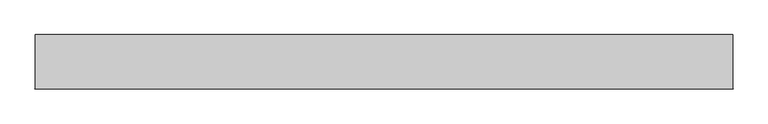
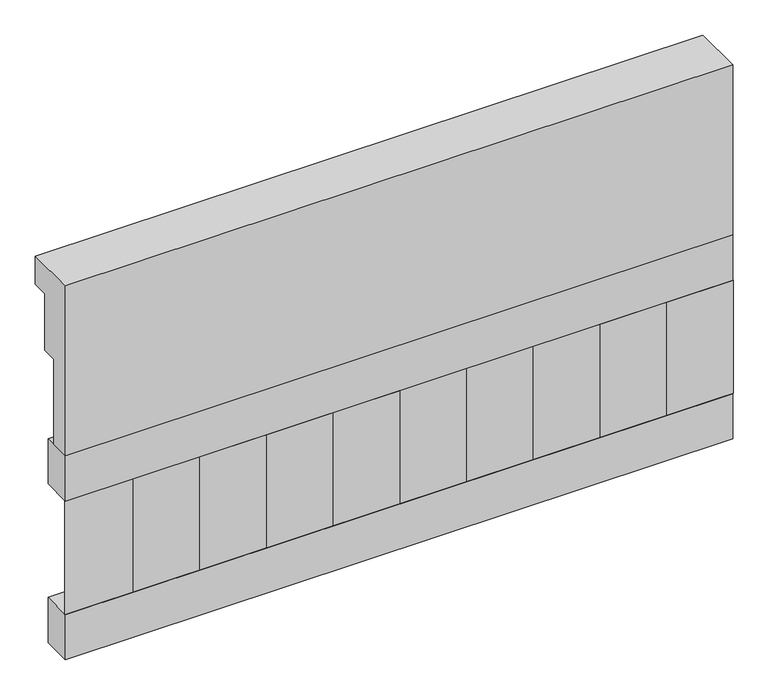
"""IFC4 building model written with IfcOpenShell, lengths in millimetres: railing geometry."""

from ifc_helpers import new_model, si_unit, frame, origin, place, context, project, spatial, polyline, outline, extrude, source, transform, mapped, element, save


def railing_c46c4ea2(model_context):
    return source(origin(), model_context, "Body", "SweptSolid", [
        extrude(outline(polyline([(903.1079487, 28400.0), (1033.1079487, 28400.0), (1033.1079487, 28325.0), (993.1079487, 28325.0), (993.1079487, 28175.0), (953.1079487, 28175.0), (953.1079487, 27950.0), (903.1079487, 27950.0), (903.1079487, 28400.0)])), frame((39990.0112841, 0.0, 0.0), z_axis=(1.0, 0.0, 0.0), x_axis=(0.0, 1.0, 0.0)), (0.0, 0.0, 1.0), 1670.0),
        extrude(outline(polyline([(41660.0112841, 978.1079487), (41660.0112841, 903.1079487), (39990.0112841, 903.1079487), (39990.0112841, 978.1079487), (41660.0112841, 978.1079487)])), frame((0.0, 0.0, 27830.0), z_axis=(0.0, 0.0, 1.0), x_axis=(1.0, 0.0, 0.0)), (0.0, 0.0, 1.0), 120.0),
        extrude(outline(polyline([(41660.0112841, 978.1079487), (41660.0112841, 903.1079487), (39990.0112841, 903.1079487), (39990.0112841, 978.1079487), (41660.0112841, 978.1079487)])), frame((0.0, 0.0, 27410.0), z_axis=(0.0, 0.0, 1.0), x_axis=(1.0, 0.0, 0.0)), (0.0, 0.0, 1.0), 120.0),
        extrude(outline(polyline([(40073.5112841, 987.9607624), (40158.3640978, 903.1079487), (39988.6584704, 903.1079487), (40073.5112841, 987.9607624)])), frame((0.0, 0.0, 27530.0), z_axis=(0.0, 0.0, 1.0), x_axis=(1.0, 0.0, 0.0)), (0.0, 0.0, 1.0), 300.0),
        extrude(outline(polyline([(40240.5112841, 987.9607624), (40325.3640978, 903.1079487), (40155.6584704, 903.1079487), (40240.5112841, 987.9607624)])), frame((0.0, 0.0, 27530.0), z_axis=(0.0, 0.0, 1.0), x_axis=(1.0, 0.0, 0.0)), (0.0, 0.0, 1.0), 300.0),
        extrude(outline(polyline([(40407.5112841, 987.9607624), (40492.3640978, 903.1079487), (40322.6584704, 903.1079487), (40407.5112841, 987.9607624)])), frame((0.0, 0.0, 27530.0), z_axis=(0.0, 0.0, 1.0), x_axis=(1.0, 0.0, 0.0)), (0.0, 0.0, 1.0), 300.0),
        extrude(outline(polyline([(40574.5112841, 987.9607624), (40659.3640978, 903.1079487), (40489.6584704, 903.1079487), (40574.5112841, 987.9607624)])), frame((0.0, 0.0, 27530.0), z_axis=(0.0, 0.0, 1.0), x_axis=(1.0, 0.0, 0.0)), (0.0, 0.0, 1.0), 300.0),
        extrude(outline(polyline([(40741.5112841, 987.9607624), (40826.3640978, 903.1079487), (40656.6584704, 903.1079487), (40741.5112841, 987.9607624)])), frame((0.0, 0.0, 27530.0), z_axis=(0.0, 0.0, 1.0), x_axis=(1.0, 0.0, 0.0)), (0.0, 0.0, 1.0), 300.0),
        extrude(outline(polyline([(40908.5112841, 987.9607624), (40993.3640978, 903.1079487), (40823.6584704, 903.1079487), (40908.5112841, 987.9607624)])), frame((0.0, 0.0, 27530.0), z_axis=(0.0, 0.0, 1.0), x_axis=(1.0, 0.0, 0.0)), (0.0, 0.0, 1.0), 300.0),
        extrude(outline(polyline([(41075.5112841, 987.9607624), (41160.3640978, 903.1079487), (40990.6584704, 903.1079487), (41075.5112841, 987.9607624)])), frame((0.0, 0.0, 27530.0), z_axis=(0.0, 0.0, 1.0), x_axis=(1.0, 0.0, 0.0)), (0.0, 0.0, 1.0), 300.0),
        extrude(outline(polyline([(41242.5112841, 987.9607624), (41327.3640978, 903.1079487), (41157.6584704, 903.1079487), (41242.5112841, 987.9607624)])), frame((0.0, 0.0, 27530.0), z_axis=(0.0, 0.0, 1.0), x_axis=(1.0, 0.0, 0.0)), (0.0, 0.0, 1.0), 300.0),
        extrude(outline(polyline([(41409.5112841, 987.9607624), (41494.3640978, 903.1079487), (41324.6584704, 903.1079487), (41409.5112841, 987.9607624)])), frame((0.0, 0.0, 27530.0), z_axis=(0.0, 0.0, 1.0), x_axis=(1.0, 0.0, 0.0)), (0.0, 0.0, 1.0), 300.0),
        extrude(outline(polyline([(41576.5112841, 987.9607624), (41661.3640978, 903.1079487), (41491.6584704, 903.1079487), (41576.5112841, 987.9607624)])), frame((0.0, 0.0, 27530.0), z_axis=(0.0, 0.0, 1.0), x_axis=(1.0, 0.0, 0.0)), (0.0, 0.0, 1.0), 300.0),
    ])


if __name__ == "__main__":
    model = new_model("IFC4")
    model_context = context("Model", 3, world=origin())
    ifc_project = project(units=[si_unit("LENGTHUNIT", "METRE", prefix="MILLI")], contexts=[model_context])
    site = spatial("IfcSite", under=ifc_project)
    building = spatial("IfcBuilding", under=site)
    placement = place(None, origin())
    railing_shape = railing_c46c4ea2(model_context)
    element("IfcRailing", 1, at=placement, inside=building, context=model_context, shape_type="MappedRepresentation", body=[
        mapped(railing_shape, transform((0.0, 0.0, 0.0), x_axis=(1.0, 0.0, 0.0), y_axis=(0.0, 1.0, 0.0), z_axis=(0.0, 0.0, 1.0))),
    ])
    save(model, "model.ifc")
